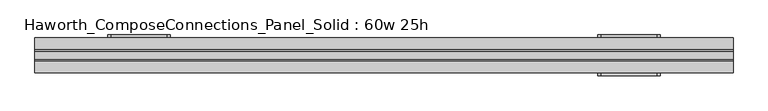
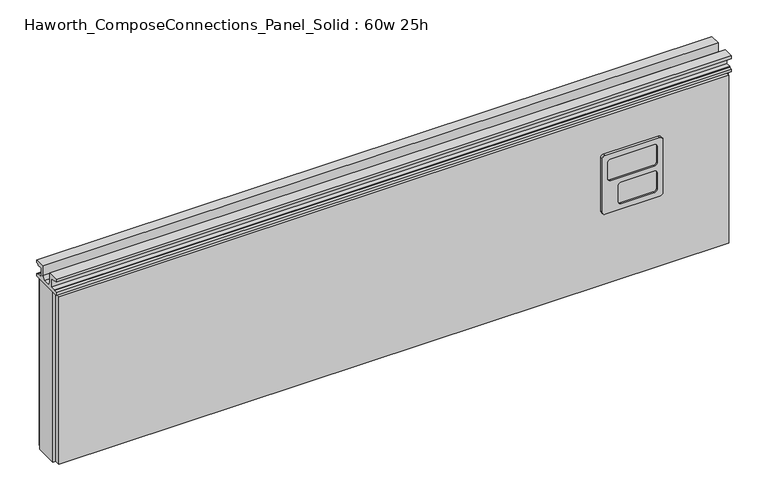
"""IFC4 building model written with IfcOpenShell, lengths in millimetres: furniture geometry, Haworth_ComposeConnections_Panel_Solid : 60w 25h."""

from ifc_helpers import new_model, si_unit, frame, origin, place, context, project, spatial, polyline, circle_curve, outline, extrude, source, transform, mapped, element, save
from ifc_brep_helpers import plane_surface, cylinder_surface, revolved_surface, advanced_brep


def haworth_composeconnections_panel_solid_60w_25h_39f2ab22(model_context):
    return source(origin(), model_context, "Body", "SolidModel", [
        advanced_brep(
        [(-594.4597098, 38.1, 546.1), (-600.8097098, 38.1, 539.75), (-600.8097098, 38.1, 412.75), (-594.4597098, 38.1, 406.4), (-470.6347098, 38.1, 406.4), (-464.2847098, 38.1, 412.75), (-464.2847098, 38.1, 539.75), (-470.6347098, 38.1, 546.1), (-594.4597098, 44.45, 546.1), (-470.6347098, 44.45, 546.1), (-464.2847098, 44.45, 539.75), (-464.2847098, 44.45, 412.75), (-470.6347098, 44.45, 406.4), (-594.4597098, 44.45, 406.4), (-600.8097098, 44.45, 412.75), (-600.8097098, 44.45, 539.75), (-581.7597098, 44.45, 533.4), (-588.1097098, 44.45, 527.05), (-588.1097098, 44.45, 488.95), (-581.7597098, 44.45, 482.6), (-483.3347098, 44.45, 482.6), (-476.9847098, 44.45, 488.95), (-476.9847098, 44.45, 527.05), (-483.3347098, 44.45, 533.4), (-581.7597098, 44.45, 469.9), (-588.1097098, 44.45, 463.55), (-588.1097098, 44.45, 425.45), (-581.7597098, 44.45, 419.1), (-507.1472098, 44.45, 419.1), (-500.7972098, 44.45, 425.45), (-500.7972098, 44.45, 463.55), (-507.1472098, 44.45, 469.9), (-581.7597098, 41.275, 533.4), (-483.3347098, 41.275, 533.4), (-476.9847098, 41.275, 527.05), (-476.9847098, 41.275, 488.95), (-483.3347098, 41.275, 482.6), (-581.7597098, 41.275, 482.6), (-588.1097098, 41.275, 488.95), (-588.1097098, 41.275, 527.05), (-581.7597098, 41.275, 469.9), (-507.1472098, 41.275, 469.9), (-500.7972098, 41.275, 463.55), (-500.7972098, 41.275, 425.45), (-507.1472098, 41.275, 419.1), (-581.7597098, 41.275, 419.1), (-588.1097098, 41.275, 425.45), (-588.1097098, 41.275, 463.55)],
        [
            (0, 1, circle_curve(frame((-594.4597098, 38.1, 539.75), z_axis=(0.0, -1.0, 0.0), x_axis=(1.0, 0.0, 0.0)), 6.35)),
            (1, 2),
            (2, 3, circle_curve(frame((-594.4597098, 38.1, 412.75), z_axis=(0.0, -1.0, 0.0), x_axis=(1.0, 0.0, 0.0)), 6.35)),
            (3, 4),
            (4, 5, circle_curve(frame((-470.6347098, 38.1, 412.75), z_axis=(0.0, -1.0, 0.0), x_axis=(1.0, 0.0, 0.0)), 6.35)),
            (5, 6),
            (6, 7, circle_curve(frame((-470.6347098, 38.1, 539.75), z_axis=(0.0, -1.0, 0.0), x_axis=(1.0, 0.0, 0.0)), 6.35)),
            (7, 0),
            (8, 9),
            (9, 10, circle_curve(frame((-470.6347098, 44.45, 539.75), z_axis=(0.0, 1.0, 0.0), x_axis=(1.0, 0.0, 0.0)), 6.35)),
            (10, 11),
            (11, 12, circle_curve(frame((-470.6347098, 44.45, 412.75), z_axis=(0.0, 1.0, 0.0), x_axis=(1.0, 0.0, 0.0)), 6.35)),
            (12, 13),
            (13, 14, circle_curve(frame((-594.4597098, 44.45, 412.75), z_axis=(0.0, 1.0, 0.0), x_axis=(1.0, 0.0, 0.0)), 6.35)),
            (14, 15),
            (15, 8, circle_curve(frame((-594.4597098, 44.45, 539.75), z_axis=(0.0, 1.0, 0.0), x_axis=(1.0, 0.0, 0.0)), 6.35)),
            (16, 17, circle_curve(frame((-581.7597098, 44.45, 527.05), z_axis=(0.0, -1.0, 0.0), x_axis=(1.0, 0.0, 0.0)), 6.35)),
            (17, 18),
            (18, 19, circle_curve(frame((-581.7597098, 44.45, 488.95), z_axis=(0.0, -1.0, 0.0), x_axis=(1.0, 0.0, 0.0)), 6.35)),
            (19, 20),
            (20, 21, circle_curve(frame((-483.3347098, 44.45, 488.95), z_axis=(0.0, -1.0, 0.0), x_axis=(1.0, 0.0, 0.0)), 6.35)),
            (21, 22),
            (22, 23, circle_curve(frame((-483.3347098, 44.45, 527.05), z_axis=(0.0, -1.0, 0.0), x_axis=(1.0, 0.0, 0.0)), 6.35)),
            (23, 16),
            (24, 25, circle_curve(frame((-581.7597098, 44.45, 463.55), z_axis=(0.0, -1.0, 0.0), x_axis=(1.0, 0.0, 0.0)), 6.35)),
            (25, 26),
            (26, 27, circle_curve(frame((-581.7597098, 44.45, 425.45), z_axis=(0.0, -1.0, 0.0), x_axis=(1.0, 0.0, 0.0)), 6.35)),
            (27, 28),
            (28, 29, circle_curve(frame((-507.1472098, 44.45, 425.45), z_axis=(0.0, -1.0, 0.0), x_axis=(1.0, 0.0, 0.0)), 6.35)),
            (29, 30),
            (30, 31, circle_curve(frame((-507.1472098, 44.45, 463.55), z_axis=(0.0, -1.0, 0.0), x_axis=(1.0, 0.0, 0.0)), 6.35)),
            (31, 24),
            (0, 8),
            (15, 1),
            (14, 2),
            (13, 3),
            (12, 4),
            (11, 5),
            (10, 6),
            (9, 7),
            (32, 33),
            (33, 34, circle_curve(frame((-483.3347098, 41.275, 527.05), z_axis=(0.0, 1.0, 0.0), x_axis=(1.0, 0.0, 0.0)), 6.35)),
            (34, 35),
            (35, 36, circle_curve(frame((-483.3347098, 41.275, 488.95), z_axis=(0.0, 1.0, 0.0), x_axis=(1.0, 0.0, 0.0)), 6.35)),
            (36, 37),
            (37, 38, circle_curve(frame((-581.7597098, 41.275, 488.95), z_axis=(0.0, 1.0, 0.0), x_axis=(1.0, 0.0, 0.0)), 6.35)),
            (38, 39),
            (39, 32, circle_curve(frame((-581.7597098, 41.275, 527.05), z_axis=(0.0, 1.0, 0.0), x_axis=(1.0, 0.0, 0.0)), 6.35)),
            (40, 41),
            (41, 42, circle_curve(frame((-507.1472098, 41.275, 463.55), z_axis=(0.0, 1.0, 0.0), x_axis=(1.0, 0.0, 0.0)), 6.35)),
            (42, 43),
            (43, 44, circle_curve(frame((-507.1472098, 41.275, 425.45), z_axis=(0.0, 1.0, 0.0), x_axis=(1.0, 0.0, 0.0)), 6.35)),
            (44, 45),
            (45, 46, circle_curve(frame((-581.7597098, 41.275, 425.45), z_axis=(0.0, 1.0, 0.0), x_axis=(1.0, 0.0, 0.0)), 6.35)),
            (46, 47),
            (47, 40, circle_curve(frame((-581.7597098, 41.275, 463.55), z_axis=(0.0, 1.0, 0.0), x_axis=(1.0, 0.0, 0.0)), 6.35)),
            (39, 17),
            (16, 32),
            (38, 18),
            (37, 19),
            (36, 20),
            (35, 21),
            (34, 22),
            (33, 23),
            (47, 25),
            (24, 40),
            (46, 26),
            (45, 27),
            (44, 28),
            (43, 29),
            (42, 30),
            (41, 31),
        ],
        [
            plane_surface(frame((-588.1097098, 38.1, 539.75), z_axis=(0.0, -1.0, 0.0), x_axis=(0.0, 0.0, 1.0))),
            plane_surface(frame((-588.1097098, 44.45, 539.75), z_axis=(0.0, 1.0, 0.0), x_axis=(0.0, 0.0, -1.0))),
            cylinder_surface(frame((-594.4597098, 44.45, 539.75), z_axis=(0.0, -1.0, 0.0), x_axis=(1.0, 0.0, 0.0)), 6.35),
            plane_surface(frame((-600.8097098, 38.1, 539.75), z_axis=(-1.0, 0.0, 0.0), x_axis=(0.0, 1.0, 0.0))),
            cylinder_surface(frame((-594.4597098, 44.45, 412.75), z_axis=(0.0, -1.0, 0.0), x_axis=(1.0, 0.0, 0.0)), 6.35),
            plane_surface(frame((-594.4597098, 38.1, 406.4), z_axis=(0.0, 0.0, -1.0), x_axis=(0.0, 1.0, 0.0))),
            cylinder_surface(frame((-470.6347098, 44.45, 412.75), z_axis=(0.0, -1.0, 0.0), x_axis=(1.0, 0.0, 0.0)), 6.35),
            plane_surface(frame((-464.2847098, 38.1, 412.75), z_axis=(1.0, 0.0, 0.0), x_axis=(0.0, 1.0, 0.0))),
            cylinder_surface(frame((-470.6347098, 44.45, 539.75), z_axis=(0.0, -1.0, 0.0), x_axis=(1.0, 0.0, 0.0)), 6.35),
            plane_surface(frame((-470.6347098, 38.1, 546.1), z_axis=(0.0, 0.0, 1.0), x_axis=(0.0, 1.0, 0.0))),
            plane_surface(frame((-575.4097098, 41.275, 527.05), z_axis=(0.0, 1.0, 0.0), x_axis=(0.0, 0.0, 1.0))),
            revolved_surface(polyline([(-575.4097098, 41.275, 527.05), (-575.4097098, 44.45, 527.05)]), (-581.7597098, 44.45, 527.05), (0.0, -1.0, 0.0)),
            plane_surface(frame((-588.1097098, 41.275, 527.05), z_axis=(1.0, 0.0, 0.0), x_axis=(0.0, 1.0, 0.0))),
            revolved_surface(polyline([(-575.4097098, 41.275, 488.95), (-575.4097098, 44.45, 488.95)]), (-581.7597098, 44.45, 488.95), (0.0, -1.0, 0.0)),
            plane_surface(frame((-581.7597098, 41.275, 482.6), z_axis=(0.0, 0.0, 1.0), x_axis=(0.0, 1.0, 0.0))),
            revolved_surface(polyline([(-476.98470979999996, 41.275, 488.95), (-476.98470979999996, 44.45, 488.95)]), (-483.3347098, 44.45, 488.95), (0.0, -1.0, 0.0)),
            plane_surface(frame((-476.9847098, 41.275, 488.95), z_axis=(-1.0, 0.0, 0.0), x_axis=(0.0, 1.0, 0.0))),
            revolved_surface(polyline([(-476.98470979999996, 41.275, 527.05), (-476.98470979999996, 44.45, 527.05)]), (-483.3347098, 44.45, 527.05), (0.0, -1.0, 0.0)),
            plane_surface(frame((-483.3347098, 41.275, 533.4), z_axis=(0.0, 0.0, -1.0), x_axis=(0.0, 1.0, 0.0))),
            revolved_surface(polyline([(-575.4097098, 41.275, 463.55), (-575.4097098, 44.45, 463.55)]), (-581.7597098, 44.45, 463.55), (0.0, -1.0, 0.0)),
            plane_surface(frame((-588.1097098, 41.275, 463.55), z_axis=(1.0, 0.0, 0.0), x_axis=(0.0, 1.0, 0.0))),
            revolved_surface(polyline([(-575.4097098, 41.275, 425.45), (-575.4097098, 44.45, 425.45)]), (-581.7597098, 44.45, 425.45), (0.0, -1.0, 0.0)),
            plane_surface(frame((-581.7597098, 41.275, 419.1), z_axis=(0.0, 0.0, 1.0), x_axis=(0.0, 1.0, 0.0))),
            revolved_surface(polyline([(-500.79720979999996, 41.275, 425.45), (-500.79720979999996, 44.45, 425.45)]), (-507.1472098, 44.45, 425.45), (0.0, -1.0, 0.0)),
            plane_surface(frame((-500.7972098, 41.275, 425.45), z_axis=(-1.0, 0.0, 0.0), x_axis=(0.0, 1.0, 0.0))),
            revolved_surface(polyline([(-500.79720979999996, 41.275, 463.55), (-500.79720979999996, 44.45, 463.55)]), (-507.1472098, 44.45, 463.55), (0.0, -1.0, 0.0)),
            plane_surface(frame((-507.1472098, 41.275, 469.9), z_axis=(0.0, 0.0, -1.0), x_axis=(0.0, 1.0, 0.0))),
        ],
        [
            (0, [[1, 2, 3, 4, 5, 6, 7, 8]]),
            (1, [[9, 10, 11, 12, 13, 14, 15, 16], [17, 18, 19, 20, 21, 22, 23, 24], [25, 26, 27, 28, 29, 30, 31, 32]]),
            (2, [[-1, 33, -16, 34]]),
            (3, [[-2, -34, -15, 35]]),
            (4, [[-3, -35, -14, 36]]),
            (5, [[-4, -36, -13, 37]]),
            (6, [[-5, -37, -12, 38]]),
            (7, [[-6, -38, -11, 39]]),
            (8, [[-7, -39, -10, 40]]),
            (9, [[-8, -40, -9, -33]]),
            (10, [[41, 42, 43, 44, 45, 46, 47, 48]]),
            (10, [[49, 50, 51, 52, 53, 54, 55, 56]]),
            (11, [[-48, 57, -17, 58]]),
            (12, [[-47, 59, -18, -57]]),
            (13, [[-46, 60, -19, -59]]),
            (14, [[-45, 61, -20, -60]]),
            (15, [[-44, 62, -21, -61]]),
            (16, [[-43, 63, -22, -62]]),
            (17, [[-42, 64, -23, -63]]),
            (18, [[-41, -58, -24, -64]]),
            (19, [[-56, 65, -25, 66]]),
            (20, [[-55, 67, -26, -65]]),
            (21, [[-54, 68, -27, -67]]),
            (22, [[-53, 69, -28, -68]]),
            (23, [[-52, 70, -29, -69]]),
            (24, [[-51, 71, -30, -70]]),
            (25, [[-50, 72, -31, -71]]),
            (26, [[-49, -66, -32, -72]]),
        ],
    ),
        advanced_brep(
        [(475.5152902, 38.1, 546.1), (469.1652902, 38.1, 539.75), (469.1652902, 38.1, 412.75), (475.5152902, 38.1, 406.4), (599.3402902, 38.1, 406.4), (605.6902902, 38.1, 412.75), (605.6902902, 38.1, 539.75), (599.3402902, 38.1, 546.1), (475.5152902, 44.45, 546.1), (599.3402902, 44.45, 546.1), (605.6902902, 44.45, 539.75), (605.6902902, 44.45, 412.75), (599.3402902, 44.45, 406.4), (475.5152902, 44.45, 406.4), (469.1652902, 44.45, 412.75), (469.1652902, 44.45, 539.75), (488.2152902, 44.45, 533.4), (481.8652902, 44.45, 527.05), (481.8652902, 44.45, 488.95), (488.2152902, 44.45, 482.6), (586.6402902, 44.45, 482.6), (592.9902902, 44.45, 488.95), (592.9902902, 44.45, 527.05), (586.6402902, 44.45, 533.4), (488.2152902, 44.45, 469.9), (481.8652902, 44.45, 463.55), (481.8652902, 44.45, 425.45), (488.2152902, 44.45, 419.1), (562.8277902, 44.45, 419.1), (569.1777902, 44.45, 425.45), (569.1777902, 44.45, 463.55), (562.8277902, 44.45, 469.9), (488.2152902, 41.275, 533.4), (586.6402902, 41.275, 533.4), (592.9902902, 41.275, 527.05), (592.9902902, 41.275, 488.95), (586.6402902, 41.275, 482.6), (488.2152902, 41.275, 482.6), (481.8652902, 41.275, 488.95), (481.8652902, 41.275, 527.05), (488.2152902, 41.275, 469.9), (562.8277902, 41.275, 469.9), (569.1777902, 41.275, 463.55), (569.1777902, 41.275, 425.45), (562.8277902, 41.275, 419.1), (488.2152902, 41.275, 419.1), (481.8652902, 41.275, 425.45), (481.8652902, 41.275, 463.55)],
        [
            (0, 1, circle_curve(frame((475.5152902, 38.1, 539.75), z_axis=(0.0, -1.0, 0.0), x_axis=(1.0, 0.0, 0.0)), 6.35)),
            (1, 2),
            (2, 3, circle_curve(frame((475.5152902, 38.1, 412.75), z_axis=(0.0, -1.0, 0.0), x_axis=(1.0, 0.0, 0.0)), 6.35)),
            (3, 4),
            (4, 5, circle_curve(frame((599.3402902, 38.1, 412.75), z_axis=(0.0, -1.0, 0.0), x_axis=(1.0, 0.0, 0.0)), 6.35)),
            (5, 6),
            (6, 7, circle_curve(frame((599.3402902, 38.1, 539.75), z_axis=(0.0, -1.0, 0.0), x_axis=(1.0, 0.0, 0.0)), 6.35)),
            (7, 0),
            (8, 9),
            (9, 10, circle_curve(frame((599.3402902, 44.45, 539.75), z_axis=(0.0, 1.0, 0.0), x_axis=(1.0, 0.0, 0.0)), 6.35)),
            (10, 11),
            (11, 12, circle_curve(frame((599.3402902, 44.45, 412.75), z_axis=(0.0, 1.0, 0.0), x_axis=(1.0, 0.0, 0.0)), 6.35)),
            (12, 13),
            (13, 14, circle_curve(frame((475.5152902, 44.45, 412.75), z_axis=(0.0, 1.0, 0.0), x_axis=(1.0, 0.0, 0.0)), 6.35)),
            (14, 15),
            (15, 8, circle_curve(frame((475.5152902, 44.45, 539.75), z_axis=(0.0, 1.0, 0.0), x_axis=(1.0, 0.0, 0.0)), 6.35)),
            (16, 17, circle_curve(frame((488.2152902, 44.45, 527.05), z_axis=(0.0, -1.0, 0.0), x_axis=(1.0, 0.0, 0.0)), 6.35)),
            (17, 18),
            (18, 19, circle_curve(frame((488.2152902, 44.45, 488.95), z_axis=(0.0, -1.0, 0.0), x_axis=(1.0, 0.0, 0.0)), 6.35)),
            (19, 20),
            (20, 21, circle_curve(frame((586.6402902, 44.45, 488.95), z_axis=(0.0, -1.0, 0.0), x_axis=(1.0, 0.0, 0.0)), 6.35)),
            (21, 22),
            (22, 23, circle_curve(frame((586.6402902, 44.45, 527.05), z_axis=(0.0, -1.0, 0.0), x_axis=(1.0, 0.0, 0.0)), 6.35)),
            (23, 16),
            (24, 25, circle_curve(frame((488.2152902, 44.45, 463.55), z_axis=(0.0, -1.0, 0.0), x_axis=(1.0, 0.0, 0.0)), 6.35)),
            (25, 26),
            (26, 27, circle_curve(frame((488.2152902, 44.45, 425.45), z_axis=(0.0, -1.0, 0.0), x_axis=(1.0, 0.0, 0.0)), 6.35)),
            (27, 28),
            (28, 29, circle_curve(frame((562.8277902, 44.45, 425.45), z_axis=(0.0, -1.0, 0.0), x_axis=(1.0, 0.0, 0.0)), 6.35)),
            (29, 30),
            (30, 31, circle_curve(frame((562.8277902, 44.45, 463.55), z_axis=(0.0, -1.0, 0.0), x_axis=(1.0, 0.0, 0.0)), 6.35)),
            (31, 24),
            (0, 8),
            (15, 1),
            (14, 2),
            (13, 3),
            (12, 4),
            (11, 5),
            (10, 6),
            (9, 7),
            (32, 33),
            (33, 34, circle_curve(frame((586.6402902, 41.275, 527.05), z_axis=(0.0, 1.0, 0.0), x_axis=(1.0, 0.0, 0.0)), 6.35)),
            (34, 35),
            (35, 36, circle_curve(frame((586.6402902, 41.275, 488.95), z_axis=(0.0, 1.0, 0.0), x_axis=(1.0, 0.0, 0.0)), 6.35)),
            (36, 37),
            (37, 38, circle_curve(frame((488.2152902, 41.275, 488.95), z_axis=(0.0, 1.0, 0.0), x_axis=(1.0, 0.0, 0.0)), 6.35)),
            (38, 39),
            (39, 32, circle_curve(frame((488.2152902, 41.275, 527.05), z_axis=(0.0, 1.0, 0.0), x_axis=(1.0, 0.0, 0.0)), 6.35)),
            (40, 41),
            (41, 42, circle_curve(frame((562.8277902, 41.275, 463.55), z_axis=(0.0, 1.0, 0.0), x_axis=(1.0, 0.0, 0.0)), 6.35)),
            (42, 43),
            (43, 44, circle_curve(frame((562.8277902, 41.275, 425.45), z_axis=(0.0, 1.0, 0.0), x_axis=(1.0, 0.0, 0.0)), 6.35)),
            (44, 45),
            (45, 46, circle_curve(frame((488.2152902, 41.275, 425.45), z_axis=(0.0, 1.0, 0.0), x_axis=(1.0, 0.0, 0.0)), 6.35)),
            (46, 47),
            (47, 40, circle_curve(frame((488.2152902, 41.275, 463.55), z_axis=(0.0, 1.0, 0.0), x_axis=(1.0, 0.0, 0.0)), 6.35)),
            (39, 17),
            (16, 32),
            (38, 18),
            (37, 19),
            (36, 20),
            (35, 21),
            (34, 22),
            (33, 23),
            (47, 25),
            (24, 40),
            (46, 26),
            (45, 27),
            (44, 28),
            (43, 29),
            (42, 30),
            (41, 31),
        ],
        [
            plane_surface(frame((481.8652902, 38.1, 539.75), z_axis=(0.0, -1.0, 0.0), x_axis=(0.0, 0.0, 1.0))),
            plane_surface(frame((481.8652902, 44.45, 539.75), z_axis=(0.0, 1.0, 0.0), x_axis=(0.0, 0.0, -1.0))),
            cylinder_surface(frame((475.5152902, 44.45, 539.75), z_axis=(0.0, -1.0, 0.0), x_axis=(1.0, 0.0, 0.0)), 6.35),
            plane_surface(frame((469.1652902, 38.1, 539.75), z_axis=(-1.0, 0.0, 0.0), x_axis=(0.0, 1.0, 0.0))),
            cylinder_surface(frame((475.5152902, 44.45, 412.75), z_axis=(0.0, -1.0, 0.0), x_axis=(1.0, 0.0, 0.0)), 6.35),
            plane_surface(frame((475.5152902, 38.1, 406.4), z_axis=(0.0, 0.0, -1.0), x_axis=(0.0, 1.0, 0.0))),
            cylinder_surface(frame((599.3402902, 44.45, 412.75), z_axis=(0.0, -1.0, 0.0), x_axis=(1.0, 0.0, 0.0)), 6.35),
            plane_surface(frame((605.6902902, 38.1, 412.75), z_axis=(1.0, 0.0, 0.0), x_axis=(0.0, 1.0, 0.0))),
            cylinder_surface(frame((599.3402902, 44.45, 539.75), z_axis=(0.0, -1.0, 0.0), x_axis=(1.0, 0.0, 0.0)), 6.35),
            plane_surface(frame((599.3402902, 38.1, 546.1), z_axis=(0.0, 0.0, 1.0), x_axis=(0.0, 1.0, 0.0))),
            plane_surface(frame((494.5652902, 41.275, 527.05), z_axis=(0.0, 1.0, 0.0), x_axis=(0.0, 0.0, 1.0))),
            revolved_surface(polyline([(494.56529020000005, 41.275, 527.05), (494.56529020000005, 44.45, 527.05)]), (488.2152902, 44.45, 527.05), (0.0, -1.0, 0.0)),
            plane_surface(frame((481.8652902, 41.275, 527.05), z_axis=(1.0, 0.0, 0.0), x_axis=(0.0, 1.0, 0.0))),
            revolved_surface(polyline([(494.56529020000005, 41.275, 488.95), (494.56529020000005, 44.45, 488.95)]), (488.2152902, 44.45, 488.95), (0.0, -1.0, 0.0)),
            plane_surface(frame((488.2152902, 41.275, 482.6), z_axis=(0.0, 0.0, 1.0), x_axis=(0.0, 1.0, 0.0))),
            revolved_surface(polyline([(592.9902902, 41.275, 488.95), (592.9902902, 44.45, 488.95)]), (586.6402902, 44.45, 488.95), (0.0, -1.0, 0.0)),
            plane_surface(frame((592.9902902, 41.275, 488.95), z_axis=(-1.0, 0.0, 0.0), x_axis=(0.0, 1.0, 0.0))),
            revolved_surface(polyline([(592.9902902, 41.275, 527.05), (592.9902902, 44.45, 527.05)]), (586.6402902, 44.45, 527.05), (0.0, -1.0, 0.0)),
            plane_surface(frame((586.6402902, 41.275, 533.4), z_axis=(0.0, 0.0, -1.0), x_axis=(0.0, 1.0, 0.0))),
            revolved_surface(polyline([(494.56529020000005, 41.275, 463.55), (494.56529020000005, 44.45, 463.55)]), (488.2152902, 44.45, 463.55), (0.0, -1.0, 0.0)),
            plane_surface(frame((481.8652902, 41.275, 463.55), z_axis=(1.0, 0.0, 0.0), x_axis=(0.0, 1.0, 0.0))),
            revolved_surface(polyline([(494.56529020000005, 41.275, 425.45), (494.56529020000005, 44.45, 425.45)]), (488.2152902, 44.45, 425.45), (0.0, -1.0, 0.0)),
            plane_surface(frame((488.2152902, 41.275, 419.1), z_axis=(0.0, 0.0, 1.0), x_axis=(0.0, 1.0, 0.0))),
            revolved_surface(polyline([(569.1777902, 41.275, 425.45), (569.1777902, 44.45, 425.45)]), (562.8277902, 44.45, 425.45), (0.0, -1.0, 0.0)),
            plane_surface(frame((569.1777902, 41.275, 425.45), z_axis=(-1.0, 0.0, 0.0), x_axis=(0.0, 1.0, 0.0))),
            revolved_surface(polyline([(569.1777902, 41.275, 463.55), (569.1777902, 44.45, 463.55)]), (562.8277902, 44.45, 463.55), (0.0, -1.0, 0.0)),
            plane_surface(frame((562.8277902, 41.275, 469.9), z_axis=(0.0, 0.0, -1.0), x_axis=(0.0, 1.0, 0.0))),
        ],
        [
            (0, [[1, 2, 3, 4, 5, 6, 7, 8]]),
            (1, [[9, 10, 11, 12, 13, 14, 15, 16], [17, 18, 19, 20, 21, 22, 23, 24], [25, 26, 27, 28, 29, 30, 31, 32]]),
            (2, [[-1, 33, -16, 34]]),
            (3, [[-2, -34, -15, 35]]),
            (4, [[-3, -35, -14, 36]]),
            (5, [[-4, -36, -13, 37]]),
            (6, [[-5, -37, -12, 38]]),
            (7, [[-6, -38, -11, 39]]),
            (8, [[-7, -39, -10, 40]]),
            (9, [[-8, -40, -9, -33]]),
            (10, [[41, 42, 43, 44, 45, 46, 47, 48]]),
            (10, [[49, 50, 51, 52, 53, 54, 55, 56]]),
            (11, [[-48, 57, -17, 58]]),
            (12, [[-47, 59, -18, -57]]),
            (13, [[-46, 60, -19, -59]]),
            (14, [[-45, 61, -20, -60]]),
            (15, [[-44, 62, -21, -61]]),
            (16, [[-43, 63, -22, -62]]),
            (17, [[-42, 64, -23, -63]]),
            (18, [[-41, -58, -24, -64]]),
            (19, [[-56, 65, -25, 66]]),
            (20, [[-55, 67, -26, -65]]),
            (21, [[-54, 68, -27, -67]]),
            (22, [[-53, 69, -28, -68]]),
            (23, [[-52, 70, -29, -69]]),
            (24, [[-51, 71, -30, -70]]),
            (25, [[-50, 72, -31, -71]]),
            (26, [[-49, -66, -32, -72]]),
        ],
    ),
        advanced_brep(
        [(599.3402902, -38.1, 546.1), (605.6902902, -38.1, 539.75), (605.6902902, -38.1, 412.75), (599.3402902, -38.1, 406.4), (475.5152902, -38.1, 406.4), (469.1652902, -38.1, 412.75), (469.1652902, -38.1, 539.75), (475.5152902, -38.1, 546.1), (599.3402902, -44.45, 546.1), (475.5152902, -44.45, 546.1), (469.1652902, -44.45, 539.75), (469.1652902, -44.45, 412.75), (475.5152902, -44.45, 406.4), (599.3402902, -44.45, 406.4), (605.6902902, -44.45, 412.75), (605.6902902, -44.45, 539.75), (586.6402902, -44.45, 533.4), (592.9902902, -44.45, 527.05), (592.9902902, -44.45, 488.95), (586.6402902, -44.45, 482.6), (488.2152902, -44.45, 482.6), (481.8652902, -44.45, 488.95), (481.8652902, -44.45, 527.05), (488.2152902, -44.45, 533.4), (586.6402902, -44.45, 469.9), (592.9902902, -44.45, 463.55), (592.9902902, -44.45, 425.45), (586.6402902, -44.45, 419.1), (512.0277902, -44.45, 419.1), (505.6777902, -44.45, 425.45), (505.6777902, -44.45, 463.55), (512.0277902, -44.45, 469.9), (586.6402902, -41.275, 533.4), (488.2152902, -41.275, 533.4), (481.8652902, -41.275, 527.05), (481.8652902, -41.275, 488.95), (488.2152902, -41.275, 482.6), (586.6402902, -41.275, 482.6), (592.9902902, -41.275, 488.95), (592.9902902, -41.275, 527.05), (586.6402902, -41.275, 469.9), (512.0277902, -41.275, 469.9), (505.6777902, -41.275, 463.55), (505.6777902, -41.275, 425.45), (512.0277902, -41.275, 419.1), (586.6402902, -41.275, 419.1), (592.9902902, -41.275, 425.45), (592.9902902, -41.275, 463.55)],
        [
            (0, 1, circle_curve(frame((599.3402902, -38.1, 539.75), z_axis=(0.0, 1.0, 0.0), x_axis=(-1.0, 0.0, 0.0)), 6.35)),
            (1, 2),
            (2, 3, circle_curve(frame((599.3402902, -38.1, 412.75), z_axis=(0.0, 1.0, 0.0), x_axis=(-1.0, 0.0, 0.0)), 6.35)),
            (3, 4),
            (4, 5, circle_curve(frame((475.5152902, -38.1, 412.75), z_axis=(0.0, 1.0, 0.0), x_axis=(-1.0, 0.0, 0.0)), 6.35)),
            (5, 6),
            (6, 7, circle_curve(frame((475.5152902, -38.1, 539.75), z_axis=(0.0, 1.0, 0.0), x_axis=(-1.0, 0.0, 0.0)), 6.35)),
            (7, 0),
            (8, 9),
            (9, 10, circle_curve(frame((475.5152902, -44.45, 539.75), z_axis=(0.0, -1.0, 0.0), x_axis=(-1.0, 0.0, 0.0)), 6.35)),
            (10, 11),
            (11, 12, circle_curve(frame((475.5152902, -44.45, 412.75), z_axis=(0.0, -1.0, 0.0), x_axis=(-1.0, 0.0, 0.0)), 6.35)),
            (12, 13),
            (13, 14, circle_curve(frame((599.3402902, -44.45, 412.75), z_axis=(0.0, -1.0, 0.0), x_axis=(-1.0, 0.0, 0.0)), 6.35)),
            (14, 15),
            (15, 8, circle_curve(frame((599.3402902, -44.45, 539.75), z_axis=(0.0, -1.0, 0.0), x_axis=(-1.0, 0.0, 0.0)), 6.35)),
            (16, 17, circle_curve(frame((586.6402902, -44.45, 527.05), z_axis=(0.0, 1.0, 0.0), x_axis=(-1.0, 0.0, 0.0)), 6.35)),
            (17, 18),
            (18, 19, circle_curve(frame((586.6402902, -44.45, 488.95), z_axis=(0.0, 1.0, 0.0), x_axis=(-1.0, 0.0, 0.0)), 6.35)),
            (19, 20),
            (20, 21, circle_curve(frame((488.2152902, -44.45, 488.95), z_axis=(0.0, 1.0, 0.0), x_axis=(-1.0, 0.0, 0.0)), 6.35)),
            (21, 22),
            (22, 23, circle_curve(frame((488.2152902, -44.45, 527.05), z_axis=(0.0, 1.0, 0.0), x_axis=(-1.0, 0.0, 0.0)), 6.35)),
            (23, 16),
            (24, 25, circle_curve(frame((586.6402902, -44.45, 463.55), z_axis=(0.0, 1.0, 0.0), x_axis=(-1.0, 0.0, 0.0)), 6.35)),
            (25, 26),
            (26, 27, circle_curve(frame((586.6402902, -44.45, 425.45), z_axis=(0.0, 1.0, 0.0), x_axis=(-1.0, 0.0, 0.0)), 6.35)),
            (27, 28),
            (28, 29, circle_curve(frame((512.0277902, -44.45, 425.45), z_axis=(0.0, 1.0, 0.0), x_axis=(-1.0, 0.0, 0.0)), 6.35)),
            (29, 30),
            (30, 31, circle_curve(frame((512.0277902, -44.45, 463.55), z_axis=(0.0, 1.0, 0.0), x_axis=(-1.0, 0.0, 0.0)), 6.35)),
            (31, 24),
            (0, 8),
            (15, 1),
            (14, 2),
            (13, 3),
            (12, 4),
            (11, 5),
            (10, 6),
            (9, 7),
            (32, 33),
            (33, 34, circle_curve(frame((488.2152902, -41.275, 527.05), z_axis=(0.0, -1.0, 0.0), x_axis=(-1.0, 0.0, 0.0)), 6.35)),
            (34, 35),
            (35, 36, circle_curve(frame((488.2152902, -41.275, 488.95), z_axis=(0.0, -1.0, 0.0), x_axis=(-1.0, 0.0, 0.0)), 6.35)),
            (36, 37),
            (37, 38, circle_curve(frame((586.6402902, -41.275, 488.95), z_axis=(0.0, -1.0, 0.0), x_axis=(-1.0, 0.0, 0.0)), 6.35)),
            (38, 39),
            (39, 32, circle_curve(frame((586.6402902, -41.275, 527.05), z_axis=(0.0, -1.0, 0.0), x_axis=(-1.0, 0.0, 0.0)), 6.35)),
            (40, 41),
            (41, 42, circle_curve(frame((512.0277902, -41.275, 463.55), z_axis=(0.0, -1.0, 0.0), x_axis=(-1.0, 0.0, 0.0)), 6.35)),
            (42, 43),
            (43, 44, circle_curve(frame((512.0277902, -41.275, 425.45), z_axis=(0.0, -1.0, 0.0), x_axis=(-1.0, 0.0, 0.0)), 6.35)),
            (44, 45),
            (45, 46, circle_curve(frame((586.6402902, -41.275, 425.45), z_axis=(0.0, -1.0, 0.0), x_axis=(-1.0, 0.0, 0.0)), 6.35)),
            (46, 47),
            (47, 40, circle_curve(frame((586.6402902, -41.275, 463.55), z_axis=(0.0, -1.0, 0.0), x_axis=(-1.0, 0.0, 0.0)), 6.35)),
            (39, 17),
            (16, 32),
            (38, 18),
            (37, 19),
            (36, 20),
            (35, 21),
            (34, 22),
            (33, 23),
            (47, 25),
            (24, 40),
            (46, 26),
            (45, 27),
            (44, 28),
            (43, 29),
            (42, 30),
            (41, 31),
        ],
        [
            plane_surface(frame((592.9902902, -38.1, 539.75), z_axis=(0.0, 1.0, 0.0), x_axis=(0.0, 0.0, 1.0))),
            plane_surface(frame((592.9902902, -44.45, 539.75), z_axis=(0.0, -1.0, 0.0), x_axis=(0.0, 0.0, -1.0))),
            cylinder_surface(frame((599.3402902, -44.45, 539.75), z_axis=(0.0, 1.0, 0.0), x_axis=(-1.0, 0.0, 0.0)), 6.35),
            plane_surface(frame((605.6902902, -38.1, 539.75), z_axis=(1.0, 0.0, 0.0), x_axis=(0.0, -1.0, 0.0))),
            cylinder_surface(frame((599.3402902, -44.45, 412.75), z_axis=(0.0, 1.0, 0.0), x_axis=(-1.0, 0.0, 0.0)), 6.35),
            plane_surface(frame((599.3402902, -38.1, 406.4), z_axis=(0.0, 0.0, -1.0), x_axis=(0.0, -1.0, 0.0))),
            cylinder_surface(frame((475.5152902, -44.45, 412.75), z_axis=(0.0, 1.0, 0.0), x_axis=(-1.0, 0.0, 0.0)), 6.35),
            plane_surface(frame((469.1652902, -38.1, 412.75), z_axis=(-1.0, 0.0, 0.0), x_axis=(0.0, -1.0, 0.0))),
            cylinder_surface(frame((475.5152902, -44.45, 539.75), z_axis=(0.0, 1.0, 0.0), x_axis=(-1.0, 0.0, 0.0)), 6.35),
            plane_surface(frame((475.5152902, -38.1, 546.1), z_axis=(0.0, 0.0, 1.0), x_axis=(0.0, -1.0, 0.0))),
            plane_surface(frame((580.2902902, -41.275, 527.05), z_axis=(0.0, -1.0, 0.0), x_axis=(0.0, 0.0, 1.0))),
            revolved_surface(polyline([(580.2902902, -41.275, 527.05), (580.2902902, -44.45, 527.05)]), (586.6402902, -44.45, 527.05), (0.0, 1.0, 0.0)),
            plane_surface(frame((592.9902902, -41.275, 527.05), z_axis=(-1.0, 0.0, 0.0), x_axis=(0.0, -1.0, 0.0))),
            revolved_surface(polyline([(580.2902902, -41.275, 488.95), (580.2902902, -44.45, 488.95)]), (586.6402902, -44.45, 488.95), (0.0, 1.0, 0.0)),
            plane_surface(frame((586.6402902, -41.275, 482.6), z_axis=(0.0, 0.0, 1.0), x_axis=(0.0, -1.0, 0.0))),
            revolved_surface(polyline([(481.8652902, -41.275, 488.95), (481.8652902, -44.45, 488.95)]), (488.2152902, -44.45, 488.95), (0.0, 1.0, 0.0)),
            plane_surface(frame((481.8652902, -41.275, 488.95), z_axis=(1.0, 0.0, 0.0), x_axis=(0.0, -1.0, 0.0))),
            revolved_surface(polyline([(481.8652902, -41.275, 527.05), (481.8652902, -44.45, 527.05)]), (488.2152902, -44.45, 527.05), (0.0, 1.0, 0.0)),
            plane_surface(frame((488.2152902, -41.275, 533.4), z_axis=(0.0, 0.0, -1.0), x_axis=(0.0, -1.0, 0.0))),
            revolved_surface(polyline([(580.2902902, -41.275, 463.55), (580.2902902, -44.45, 463.55)]), (586.6402902, -44.45, 463.55), (0.0, 1.0, 0.0)),
            plane_surface(frame((592.9902902, -41.275, 463.55), z_axis=(-1.0, 0.0, 0.0), x_axis=(0.0, -1.0, 0.0))),
            revolved_surface(polyline([(580.2902902, -41.275, 425.45), (580.2902902, -44.45, 425.45)]), (586.6402902, -44.45, 425.45), (0.0, 1.0, 0.0)),
            plane_surface(frame((586.6402902, -41.275, 419.1), z_axis=(0.0, 0.0, 1.0), x_axis=(0.0, -1.0, 0.0))),
            revolved_surface(polyline([(505.6777902, -41.275, 425.45), (505.6777902, -44.45, 425.45)]), (512.0277902, -44.45, 425.45), (0.0, 1.0, 0.0)),
            plane_surface(frame((505.6777902, -41.275, 425.45), z_axis=(1.0, 0.0, 0.0), x_axis=(0.0, -1.0, 0.0))),
            revolved_surface(polyline([(505.6777902, -41.275, 463.55), (505.6777902, -44.45, 463.55)]), (512.0277902, -44.45, 463.55), (0.0, 1.0, 0.0)),
            plane_surface(frame((512.0277902, -41.275, 469.9), z_axis=(0.0, 0.0, -1.0), x_axis=(0.0, -1.0, 0.0))),
        ],
        [
            (0, [[1, 2, 3, 4, 5, 6, 7, 8]]),
            (1, [[9, 10, 11, 12, 13, 14, 15, 16], [17, 18, 19, 20, 21, 22, 23, 24], [25, 26, 27, 28, 29, 30, 31, 32]]),
            (2, [[-1, 33, -16, 34]]),
            (3, [[-2, -34, -15, 35]]),
            (4, [[-3, -35, -14, 36]]),
            (5, [[-4, -36, -13, 37]]),
            (6, [[-5, -37, -12, 38]]),
            (7, [[-6, -38, -11, 39]]),
            (8, [[-7, -39, -10, 40]]),
            (9, [[-8, -40, -9, -33]]),
            (10, [[41, 42, 43, 44, 45, 46, 47, 48]]),
            (10, [[49, 50, 51, 52, 53, 54, 55, 56]]),
            (11, [[-48, 57, -17, 58]]),
            (12, [[-47, 59, -18, -57]]),
            (13, [[-46, 60, -19, -59]]),
            (14, [[-45, 61, -20, -60]]),
            (15, [[-44, 62, -21, -61]]),
            (16, [[-43, 63, -22, -62]]),
            (17, [[-42, 64, -23, -63]]),
            (18, [[-41, -58, -24, -64]]),
            (19, [[-56, 65, -25, 66]]),
            (20, [[-55, 67, -26, -65]]),
            (21, [[-54, 68, -27, -67]]),
            (22, [[-53, 69, -28, -68]]),
            (23, [[-52, 70, -29, -69]]),
            (24, [[-51, 71, -30, -70]]),
            (25, [[-50, 72, -31, -71]]),
            (26, [[-49, -66, -32, -72]]),
        ],
    ),
        extrude(outline(polyline([(-38.1, 673.1), (-38.1, 679.45), (-13.5001003, 679.45), (-13.5001003, 657.6828071), (-8.7648475, 647.7), (8.7648498, 647.7), (13.5001026, 657.6828071), (13.5001026, 679.45), (38.1000023, 679.45), (38.1000023, 673.1), (30.6197023, 673.1), (30.6197023, 670.8139719), (19.6977019, 670.8139719), (19.6977019, 649.9860281), (30.6197023, 649.9860281), (30.6197023, 647.7), (38.1000011, 647.7), (38.1000011, 641.35), (-38.0999989, 641.35), (-38.0999989, 647.7), (-30.6197, 647.7), (-30.6197, 649.9860281), (-19.6976996, 649.9860281), (-19.6976996, 670.8139719), (-30.6197, 670.8139719), (-30.6197, 673.1), (-38.1, 673.1)])), frame((-759.5597098, 0.0, 0.0), z_axis=(1.0, 0.0, 0.0), x_axis=(0.0, 1.0, 0.0)), (0.0, 0.0, 1.0), 1524.0),
        extrude(outline(polyline([(764.4402902, -25.4), (-759.5597098, -25.4), (-759.5597098, 25.4), (764.4402902, 25.4), (764.4402902, -25.4)])), frame((0.0, 0.0, 234.95), z_axis=(0.0, 0.0, 1.0), x_axis=(1.0, 0.0, 0.0)), (0.0, 0.0, 1.0), 406.4),
        extrude(outline(polyline([(-753.2097098, -25.4), (758.0902902, -25.4), (758.0902902, -38.1), (-753.2097098, -38.1), (-753.2097098, -25.4)])), frame((0.0, 0.0, 234.95), z_axis=(0.0, 0.0, 1.0), x_axis=(1.0, 0.0, 0.0)), (0.0, 0.0, 1.0), 400.05),
        extrude(outline(polyline([(-753.2097098, 38.1), (758.0902902, 38.1), (758.0902902, 25.4), (-753.2097098, 25.4), (-753.2097098, 38.1)])), frame((0.0, 0.0, 234.95), z_axis=(0.0, 0.0, 1.0), x_axis=(1.0, 0.0, 0.0)), (0.0, 0.0, 1.0), 400.05),
    ])


if __name__ == "__main__":
    model = new_model("IFC4")
    model_context = context("Model", 3, world=origin())
    ifc_project = project(units=[si_unit("LENGTHUNIT", "METRE", prefix="MILLI")], contexts=[model_context])
    site = spatial("IfcSite", under=ifc_project)
    building = spatial("IfcBuilding", under=site)
    placement = place(None, origin())
    haworth_composeconnections_panel_solid_60w_25h_shape = haworth_composeconnections_panel_solid_60w_25h_39f2ab22(model_context)
    element("IfcFurniture", 1, ObjectType="Haworth_ComposeConnections_Panel_Solid : 60w 25h", at=placement, inside=building, context=model_context, shape_type="MappedRepresentation", body=[
        mapped(haworth_composeconnections_panel_solid_60w_25h_shape, transform((0.0, 0.0, 0.0), x_axis=(1.0, 0.0, 0.0), y_axis=(0.0, 1.0, 0.0), z_axis=(0.0, 0.0, 1.0))),
    ])
    save(model, "model.ifc")
